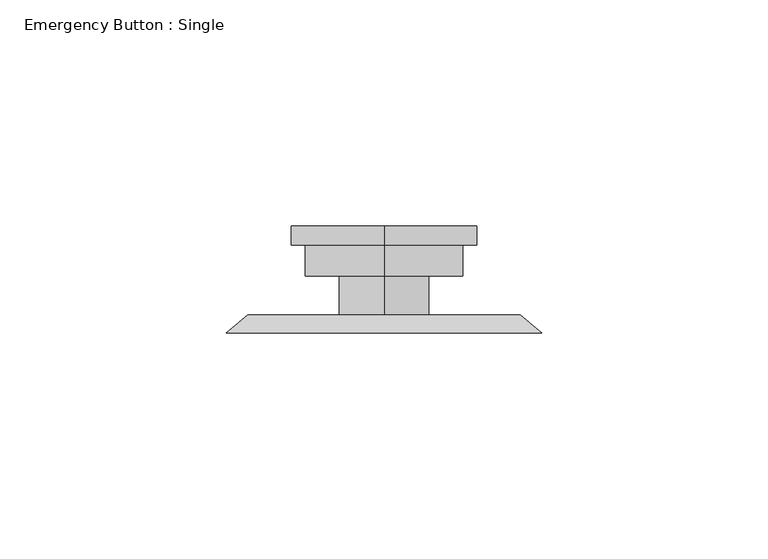
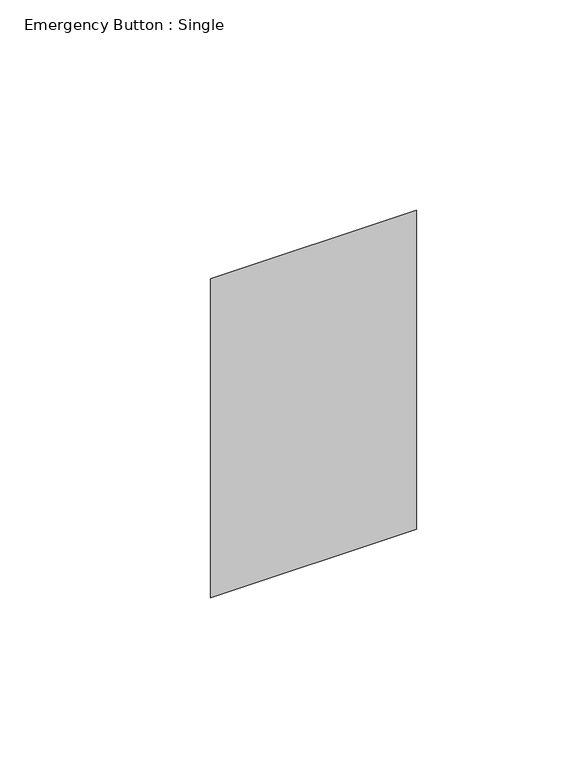
"""IFC4 building model written with IfcOpenShell, lengths in millimetres: proxy geometry, Emergency Button : Single."""

from ifc_helpers import new_model, si_unit, frame, origin, place, context, project, spatial, circle_curve, faceted_brep, source, transform, mapped, element, save
from ifc_brep_helpers import plane_surface, cylinder_surface, advanced_brep


def emergency_button_single_75669683(model_context):
    return source(origin(), model_context, "Body", "SolidModel", [
        faceted_brep([(-30.1625, 65.88125, 357.1875), (30.1625, 65.88125, 357.1875), (30.1625, 65.88125, 252.4125), (-30.1625, 65.88125, 252.4125), (-34.925, 61.9125, 361.95), (-34.925, 61.9125, 247.65), (34.925, 61.9125, 247.65), (34.925, 61.9125, 361.95)], [[[0, 1, 2, 3]], [[4, 5, 6, 7]], [[4, 7, 1, 0]], [[7, 6, 2, 1]], [[6, 5, 3, 2]], [[5, 4, 0, 3]]]),
        advanced_brep(
        [(0.0, 74.5022627, 304.8), (0.0, 74.5022627, 322.2625), (0.0, 74.5022627, 287.3375), (0.0, 85.6246019, 284.1539378), (0.0, 85.6246019, 325.4460622), (0.0, 85.6246019, 304.8), (0.0, 81.4147432, 284.1539378), (0.0, 81.4147432, 325.4460622), (0.0, 81.4147432, 287.3375), (0.0, 81.4147432, 322.2625)],
        [
            (0, 1),
            (1, 2, circle_curve(frame((0.0, 74.5022627, 304.8), z_axis=(0.0, -1.0, 0.0), x_axis=(0.0, 0.0, 1.0)), 17.4625)),
            (2, 0),
            (2, 1, circle_curve(frame((0.0, 74.5022627, 304.8), z_axis=(0.0, -1.0, 0.0), x_axis=(0.0, 0.0, 1.0)), 17.4625)),
            (3, 4, circle_curve(frame((0.0, 85.6246019, 304.8), z_axis=(0.0, 1.0, 0.0), x_axis=(0.0, 0.0, 1.0)), 20.6460622)),
            (4, 5),
            (5, 3),
            (4, 3, circle_curve(frame((0.0, 85.6246019, 304.8), z_axis=(0.0, 1.0, 0.0), x_axis=(0.0, 0.0, 1.0)), 20.6460622)),
            (6, 7, circle_curve(frame((0.0, 81.4147432, 304.8), z_axis=(0.0, 1.0, 0.0), x_axis=(0.0, 0.0, 1.0)), 20.6460622)),
            (7, 4),
            (3, 6),
            (7, 6, circle_curve(frame((0.0, 81.4147432, 304.8), z_axis=(0.0, 1.0, 0.0), x_axis=(0.0, 0.0, 1.0)), 20.6460622)),
            (8, 9, circle_curve(frame((0.0, 81.4147432, 304.8), z_axis=(0.0, 1.0, 0.0), x_axis=(0.0, 0.0, 1.0)), 17.4625)),
            (9, 7),
            (6, 8),
            (9, 8, circle_curve(frame((0.0, 81.4147432, 304.8), z_axis=(0.0, 1.0, 0.0), x_axis=(0.0, 0.0, 1.0)), 17.4625)),
            (1, 9),
            (8, 2),
        ],
        [
            plane_surface(frame((0.0, 74.5022627, 304.8), z_axis=(0.0, -1.0, 0.0), x_axis=(0.0, 0.0, 1.0))),
            plane_surface(frame((0.0, 85.6246019, 304.8), z_axis=(0.0, 1.0, 0.0), x_axis=(0.0, 0.0, 1.0))),
            cylinder_surface(frame((0.0, 108.346875, 304.8), z_axis=(0.0, -1.0, 0.0), x_axis=(0.0, 0.0, 1.0)), 20.6460622),
            plane_surface(frame((0.0, 81.4147432, 304.8), z_axis=(0.0, -1.0, 0.0), x_axis=(0.0, 0.0, 1.0))),
            cylinder_surface(frame((0.0, 108.346875, 304.8), z_axis=(0.0, -1.0, 0.0), x_axis=(0.0, 0.0, 1.0)), 17.4625),
        ],
        [
            (0, [[1, 2, 3]]),
            (0, [[-3, 4, -1]]),
            (1, [[5, 6, 7]]),
            (1, [[8, -7, -6]]),
            (2, [[9, 10, -5, 11]]),
            (2, [[12, -11, -8, -10]]),
            (3, [[13, 14, -9, 15]]),
            (3, [[16, -15, -12, -14]]),
            (4, [[-2, 17, -13, 18]]),
            (4, [[-4, -18, -16, -17]]),
        ],
    ),
        advanced_brep(
        [(0.0, 65.88125, 294.878125), (0.0, 65.88125, 314.721875), (0.0, 74.5022627, 314.721875), (0.0, 74.5022627, 294.878125), (0.0, 65.88125, 304.8), (0.0, 74.5022627, 304.8)],
        [
            (0, 1, circle_curve(frame((0.0, 65.88125, 304.8), z_axis=(0.0, 1.0, 0.0), x_axis=(0.0, 0.0, 1.0)), 9.921875)),
            (1, 2),
            (2, 3, circle_curve(frame((0.0, 74.5022627, 304.8), z_axis=(0.0, -1.0, 0.0), x_axis=(0.0, 0.0, 1.0)), 9.921875)),
            (3, 0),
            (1, 0, circle_curve(frame((0.0, 65.88125, 304.8), z_axis=(0.0, 1.0, 0.0), x_axis=(0.0, 0.0, 1.0)), 9.921875)),
            (3, 2, circle_curve(frame((0.0, 74.5022627, 304.8), z_axis=(0.0, -1.0, 0.0), x_axis=(0.0, 0.0, 1.0)), 9.921875)),
            (4, 1),
            (0, 4),
            (2, 5),
            (5, 3),
        ],
        [
            cylinder_surface(frame((0.0, 108.346875, 304.8), z_axis=(0.0, -1.0, 0.0), x_axis=(0.0, 0.0, 1.0)), 9.921875),
            plane_surface(frame((0.0, 65.88125, 304.8), z_axis=(0.0, -1.0, 0.0), x_axis=(0.0, 0.0, 1.0))),
            plane_surface(frame((0.0, 74.5022627, 304.8), z_axis=(0.0, 1.0, 0.0), x_axis=(0.0, 0.0, 1.0))),
        ],
        [
            (0, [[1, 2, 3, 4]]),
            (0, [[5, -4, 6, -2]]),
            (1, [[7, -1, 8]]),
            (1, [[-8, -5, -7]]),
            (2, [[-3, 9, 10]]),
            (2, [[-6, -10, -9]]),
        ],
    ),
    ])


if __name__ == "__main__":
    model = new_model("IFC4")
    model_context = context("Model", 3, world=origin())
    ifc_project = project(units=[si_unit("LENGTHUNIT", "METRE", prefix="MILLI")], contexts=[model_context])
    site = spatial("IfcSite", under=ifc_project)
    building = spatial("IfcBuilding", under=site)
    placement = place(None, origin())
    emergency_button_single_shape = emergency_button_single_75669683(model_context)
    element("IfcBuildingElementProxy", 1, Name="Emergency Button : Single", ObjectType="Emergency Button : Single", at=placement, inside=building, context=model_context, shape_type="MappedRepresentation", body=[
        mapped(emergency_button_single_shape, transform((0.0, 0.0, 0.0), x_axis=(1.0, 0.0, 0.0), y_axis=(0.0, 1.0, 0.0), z_axis=(0.0, 0.0, 1.0))),
    ])
    save(model, "model.ifc")
